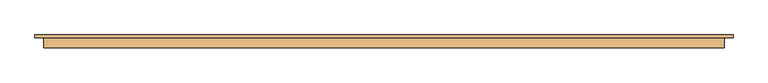
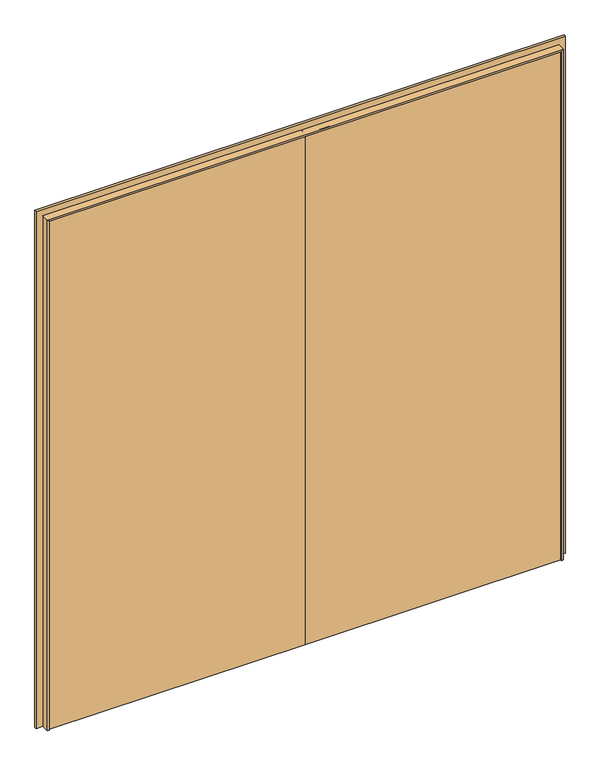
"""IFC4 building model written with IfcOpenShell, lengths in millimetres: door geometry."""

from ifc_helpers import new_model, si_unit, frame, origin, place, context, project, spatial, polyline, outline, extrude, faceted_brep, source, transform, mapped, element, save


def door_07b876e2(model_context):
    return source(origin(), model_context, "Body", "SolidModel", [
        faceted_brep([(-1218.0, -37.0, 0.0), (-1228.0, -37.0, 0.0), (-1228.0, 0.0, 0.0), (-1218.0, 0.0, 0.0), (-1218.0, 0.0, 2558.0), (-1218.0, -37.0, 2558.0), (-1228.0, 0.0, 2568.0), (-1228.0, -37.0, 2568.0), (1218.0, -37.0, 0.0), (1218.0, 0.0, 0.0), (1228.0, 0.0, 0.0), (1228.0, -37.0, 0.0), (1228.0, -37.0, 2568.0), (1218.0, -37.0, 2558.0), (1228.0, 0.0, 2568.0), (1218.0, 0.0, 2558.0)], [[[0, 1, 2, 3]], [[0, 3, 4, 5]], [[3, 2, 6, 4]], [[2, 1, 7, 6]], [[1, 0, 5, 7]], [[8, 9, 10, 11]], [[12, 13, 8, 11]], [[14, 12, 11, 10]], [[15, 14, 10, 9]], [[13, 15, 9, 8]], [[5, 4, 15, 13]], [[4, 6, 14, 15]], [[6, 7, 12, 14]], [[7, 5, 13, 12]]]),
        extrude(outline(polyline([(2600.0, -1260.0), (0.0, -1260.0), (0.0, -1228.0), (2568.0, -1228.0), (2568.0, 1228.0), (0.0, 1228.0), (0.0, 1260.0), (2600.0, 1260.0), (2600.0, -1260.0)])), frame((0.0, 0.0, 0.0), z_axis=(0.0, 1.0, 0.0), x_axis=(0.0, 0.0, 1.0)), (0.0, 0.0, 1.0), 10.0),
        extrude(outline(polyline([(1.0739506, -34.0), (-1225.0, -34.0), (-1225.0, 10.0), (1.0739506, 10.0), (1.0739506, -34.0)])), frame((0.0, 0.0, 1.753223), z_axis=(0.0, 0.0, 1.0), x_axis=(1.0, 0.0, 0.0)), (0.0, 0.0, 1.0), 2566.246777),
        extrude(outline(polyline([(1225.0, -34.0), (1.0739506, -34.0), (1.0739506, 10.0), (1225.0, 10.0), (1225.0, -34.0)])), frame((0.0, 0.0, 1.753223), z_axis=(0.0, 0.0, 1.0), x_axis=(1.0, 0.0, 0.0)), (0.0, 0.0, 1.0), 2566.246777),
    ])


if __name__ == "__main__":
    model = new_model("IFC4")
    model_context = context("Model", 3, world=origin())
    ifc_project = project(units=[si_unit("LENGTHUNIT", "METRE", prefix="MILLI")], contexts=[model_context])
    site = spatial("IfcSite", under=ifc_project)
    building = spatial("IfcBuilding", under=site)
    placement = place(None, origin())
    door_shape = door_07b876e2(model_context)
    element("IfcDoor", 1, at=placement, inside=building, context=model_context, shape_type="MappedRepresentation", body=[
        mapped(door_shape, transform((0.0, 0.0, 0.0), x_axis=(1.0, 0.0, 0.0), y_axis=(0.0, 1.0, 0.0), z_axis=(0.0, 0.0, 1.0))),
    ])
    save(model, "model.ifc")
